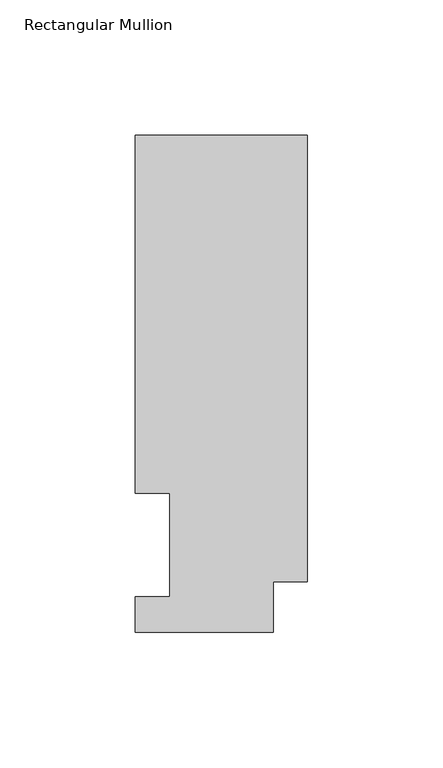
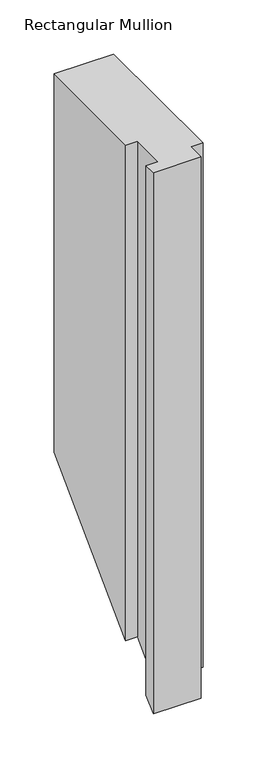
"""IFC4 building model written with IfcOpenShell, lengths in millimetres: member geometry, Rectangular Mullion."""

from ifc_helpers import new_model, si_unit, origin, place, context, project, spatial, faceted_brep, source, transform, mapped, element, save


def rectangular_mullion_a3c58409(model_context):
    return source(origin(), model_context, "Body", "Brep", [
        faceted_brep([(0.0, 183.4446737, 0.0), (-63.5, 183.4446737, 0.0), (-63.5, 51.2960937, 0.0), (-50.8, 51.2960937, 0.0), (-50.8, 13.1960937, 0.0), (-63.5, 13.1960937, 0.0), (-63.5, 0.0134937, 0.0), (-12.7, 0.0134937, 0.0), (-12.7, 18.7332937, 0.0), (0.0, 18.7332937, 0.0), (0.0, 183.4446737, -426.1553262), (-63.5, 183.4446737, -426.1553262), (-63.5, 51.2960938, -558.3039062), (-50.8, 51.2960937, -558.3039062), (-50.8, 13.1960937, -596.4039063), (-63.5, 13.1960937, -596.4039063), (-63.5, 0.0134937, -609.5865063), (-12.7, 0.0134937, -609.5865063), (-12.7, 18.7332937, -590.8667062), (0.0, 18.7332937, -590.8667062)], [[[0, 1, 2, 3, 4, 5, 6, 7, 8, 9]], [[1, 0, 10, 11]], [[3, 2, 12, 13]], [[4, 3, 13, 14]], [[5, 4, 14, 15]], [[6, 5, 15, 16]], [[8, 7, 17, 18]], [[7, 6, 16, 17]], [[9, 8, 18, 19]], [[0, 9, 19, 10]], [[10, 19, 18, 17, 16, 15, 14, 13, 12, 11]], [[2, 1, 11, 12]]]),
    ])


if __name__ == "__main__":
    model = new_model("IFC4")
    model_context = context("Model", 3, world=origin())
    ifc_project = project(units=[si_unit("LENGTHUNIT", "METRE", prefix="MILLI")], contexts=[model_context])
    site = spatial("IfcSite", under=ifc_project)
    building = spatial("IfcBuilding", under=site)
    placement = place(None, origin())
    rectangular_mullion_shape = rectangular_mullion_a3c58409(model_context)
    element("IfcMember", 1, ObjectType="Rectangular Mullion", at=placement, inside=building, context=model_context, shape_type="MappedRepresentation", body=[
        mapped(rectangular_mullion_shape, transform((0.0, 0.0, 0.0), x_axis=(1.0, 0.0, 0.0), y_axis=(0.0, 1.0, 0.0), z_axis=(0.0, 0.0, 1.0))),
    ])
    save(model, "model.ifc")
